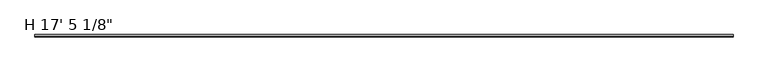
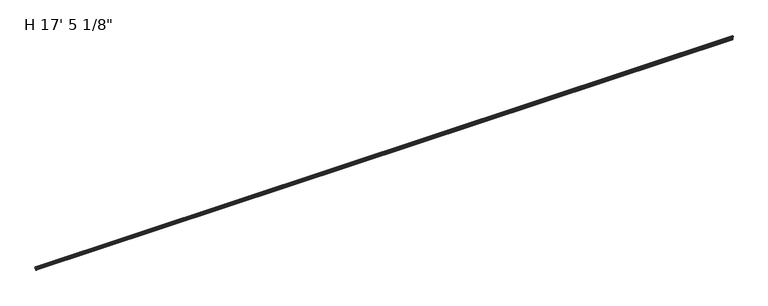
"""IFC4 building model written with IfcOpenShell, lengths in millimetres: proxy geometry."""

from ifc_helpers import new_model, si_unit, point, frame, frame_2d, origin, place, context, project, spatial, polyline, circle_curve, trimmed, segment, composite_curve, outline, extrude, source, transform, mapped, element, save


def proxy_d06b7765(model_context):
    return source(origin(), model_context, "Body", "SweptSolid", [
        extrude(outline(composite_curve([segment(polyline([(6.1091347, 0.0), (5.5808077, 0.6581076), (5.9684988, 1.3575208), (5.6321023, 2.0789255), (5.9631778, 2.7889192), (5.6042879, 3.5585611), (5.934397, 4.2664822), (5.5944321, 4.9955392), (5.9294957, 5.7140853), (5.5991801, 6.4224493), (6.0051261, 7.0980568), (5.5986989, 7.8345551), (5.9337229, 8.5870312), (5.5657997, 9.2789941), (5.8977295, 9.99082), (5.8977295, 11.6146251), (9.839437, 13.1679138), (15.5679403, 13.1679138)]), True, "CONTINUOUS"), segment(trimmed(circle_curve(frame_2d((15.5679403, 14.7554138)), 1.5875), [point((15.5679403, 13.1679138))], [point((17.1246029, 15.066794))], True, "CARTESIAN"), True, "CONTINUOUS"), segment(trimmed(circle_curve(frame_2d((-0.6044452, 11.6211879)), 18.0607682), [point((17.1246029, 15.066794))], [point((7.4661878, 27.7784225))], True, "CARTESIAN"), True, "CONTINUOUS"), segment(trimmed(circle_curve(frame_2d((6.9689863, 26.7830356)), 1.1126565), [point((7.4661878, 27.7784225))], [point((5.8563298, 26.7830356))], True, "CARTESIAN"), True, "CONTINUOUS"), segment(polyline([(5.8563298, 26.7830356), (5.8563298, 25.172294)]), True, "CONTINUOUS"), segment(trimmed(circle_curve(frame_2d((5.0436174, 25.172294)), 0.8127124), [point((5.8563298, 25.172294))], [point((5.0436174, 24.3595817))], False, "CARTESIAN"), True, "CONTINUOUS"), segment(polyline([(5.0436174, 24.3595817), (4.2974045, 24.8820856), (4.5167099, 25.7005446), (4.2880317, 26.4591036), (4.4923475, 27.2216207), (4.1978841, 28.1090541), (4.3677301, 28.8744451)]), True, "CONTINUOUS"), segment(trimmed(circle_curve(frame_2d((3.1115, 25.8284159)), 3.2949063), [point((4.3677301, 28.8744451))], [point((1.6524001, 28.7826392))], True, "CARTESIAN"), True, "CONTINUOUS"), segment(polyline([(1.6524001, 28.7826392), (1.8415, 27.7102004), (1.5875, 26.7622595), (1.8599178, 25.8586097), (1.5946294, 24.3595817), (0.79502, 24.2755393)]), True, "CONTINUOUS"), segment(trimmed(circle_curve(frame_2d((0.79502, 25.0705593)), 0.79502), [point((0.79502, 24.2755393))], [point((0.0, 25.0705593))], False, "CARTESIAN"), True, "CONTINUOUS"), segment(polyline([(0.0, 25.0705593), (0.254, 26.5058012), (0.0, 27.3483563), (0.254, 28.2962972), (0.0, 29.1388523), (0.0, 31.2551692)]), True, "CONTINUOUS"), segment(trimmed(circle_curve(frame_2d((-0.635, 11.5804138)), 19.685), [point((0.0, 31.2551692))], [point((19.05, 11.5804138))], False, "CARTESIAN"), True, "CONTINUOUS"), segment(polyline([(19.05, 11.5804138), (15.6652194, 11.5804138)]), True, "CONTINUOUS"), segment(trimmed(circle_curve(frame_2d((14.0777194, 11.5804138)), 1.5875), [point((15.6652194, 11.5804138))], [point((12.4902194, 11.5804138))], False, "CARTESIAN"), True, "CONTINUOUS"), segment(polyline([(12.4902194, 11.5804138), (11.1161473, 11.5804138)]), True, "CONTINUOUS"), segment(trimmed(circle_curve(frame_2d((11.1161473, 9.9892618)), 1.591152), [point((11.1161473, 11.5804138))], [point((9.525, 9.9931404))], True, "CARTESIAN"), True, "CONTINUOUS"), segment(polyline([(9.525, 9.9931404), (7.9721145, 9.9931404), (8.1699585, 9.0623577), (7.9490433, 8.2919351), (8.1398857, 7.5265082), (7.972318, 6.7214745), (8.1655958, 5.9462793), (7.9834986, 5.0714427), (8.1776372, 4.2927955), (7.9880038, 3.3817532), (8.1786509, 2.4848291), (7.9862027, 1.6851507), (8.1553262, 0.8894873), (7.8893268, 0.0060645)]), True, "CONTINUOUS"), segment(trimmed(circle_curve(frame_2d((7.0030343, -1.113481)), 1.4278993), [point((7.8893268, 0.0060645))], [point((6.1091347, 0.0))], True, "CARTESIAN"), True, "CONTINUOUS")], self_intersect=False)), frame((0.0, 0.0, 0.0), z_axis=(1.0, 0.0, 0.0), x_axis=(0.0, 1.0, 0.0)), (0.0, 0.0, 1.0), 5311.775),
    ])


if __name__ == "__main__":
    model = new_model("IFC4")
    model_context = context("Model", 3, world=origin())
    ifc_project = project(units=[si_unit("LENGTHUNIT", "METRE", prefix="MILLI")], contexts=[model_context])
    site = spatial("IfcSite", under=ifc_project)
    building = spatial("IfcBuilding", under=site)
    placement = place(None, origin())
    proxy_shape = proxy_d06b7765(model_context)
    element("IfcBuildingElementProxy", 1, Name="H 17' 5 1/8\"", ObjectType="H 17' 5 1/8\"", at=placement, inside=building, context=model_context, shape_type="MappedRepresentation", body=[
        mapped(proxy_shape, transform((0.0, 0.0, 0.0), x_axis=(1.0, 0.0, 0.0), y_axis=(0.0, 1.0, 0.0), z_axis=(0.0, 0.0, 1.0))),
    ])
    save(model, "model.ifc")
